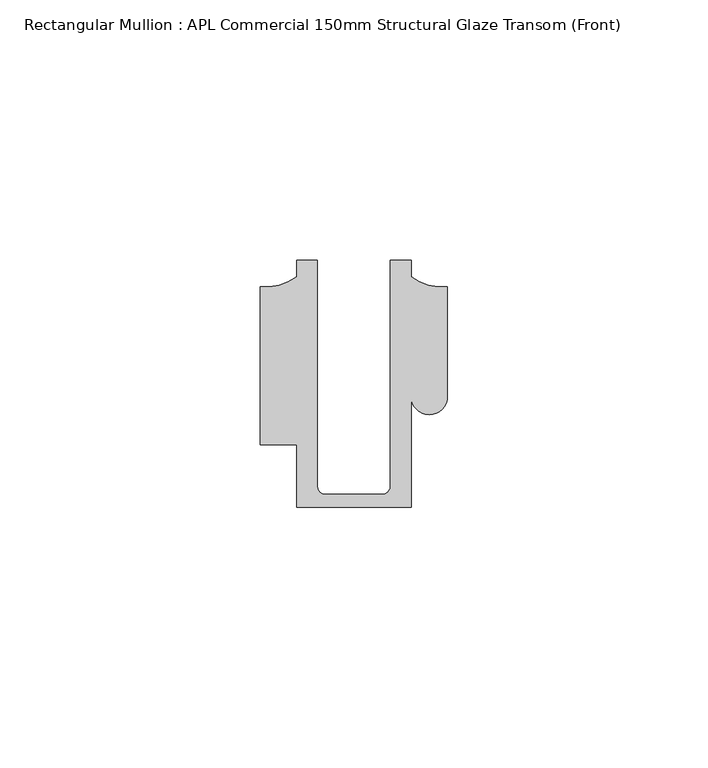
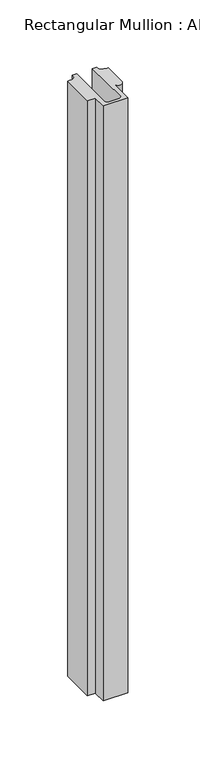
"""IFC4 building model written with IfcOpenShell, lengths in millimetres: member geometry, Rectangular Mullion : APL Commercial 150mm Structural Glaze Transom (Front)."""

from ifc_helpers import new_model, si_unit, frame, origin, place, context, project, spatial, polyline, circle_curve, source, transform, mapped, element, save
from ifc_brep_helpers import plane_surface, cylinder_surface, revolved_surface, advanced_brep


def rectangular_mullion_apl_commercial_150mm_structural_glaze_a23ece81(model_context):
    return source(origin(), model_context, "Body", "AdvancedBrep", [
        advanced_brep(
        [(-11.0000151, -27.0, 0.0), (11.001071, -27.0, 0.0), (11.001071, -5.5848769, 0.0), (17.9999091, -5.6750512, 0.0), (17.9999542, 15.3797475, 0.0), (11.0000151, 17.3125212, 0.0), (11.0000151, 20.5, 0.0), (6.9999849, 20.5, 0.0), (6.9999849, -22.9973451, 0.0), (5.4999872, -24.5, 0.0), (-5.4999873, -24.5, 0.0), (-6.9999853, -22.9976091, 0.0), (-6.9999853, 20.5, 0.0), (-10.9999994, 20.5, 0.0), (-10.9999994, 17.3125325, 0.0), (-17.9999542, 15.3797475, 0.0), (-17.9999542, -15.0006281, 0.0), (-11.0000151, -15.0006281, 0.0), (-11.0000151, -27.0, -562.8786478), (-11.0000151, -15.0006281, -562.8786478), (-17.9999542, -15.0006281, -562.8786478), (-17.9999542, 15.3797475, -562.8786478), (-10.9999994, 17.3125325, -562.8786478), (-10.9999994, 20.5, -562.8786478), (-6.9999853, 20.5, -562.8786478), (-6.9999853, -22.9976091, -562.8786478), (-5.4999873, -24.5, -562.8786478), (5.4999872, -24.5, -562.8786478), (6.9999849, -22.9973451, -562.8786478), (6.9999849, 20.5, -562.8786478), (11.0000151, 20.5, -562.8786478), (11.0000151, 17.3125212, -562.8786478), (17.9999542, 15.3797475, -562.8786478), (17.9999542, -5.684606, -562.8786478), (11.001071, -5.5848769, -562.8786478), (11.001071, -27.0, -562.8786478)],
        [
            (0, 1),
            (1, 2),
            (2, 3, circle_curve(frame((14.4999091, -5.6750512, 0.0), z_axis=(0.0, 0.0, 1.0), x_axis=(-0.9999826028573957, 0.005898642432633649, 0.0)), 3.5)),
            (3, 4),
            (4, 5, circle_curve(frame((17.109817, 25.7981812, 0.0), z_axis=(0.0, 0.0, -1.0), x_axis=(0.0, -1.0, 0.0)), 10.4563907)),
            (5, 6),
            (6, 7),
            (7, 8),
            (8, 9, circle_curve(frame((5.4999872, -23.0, 0.0), z_axis=(0.0, 0.0, -1.0), x_axis=(0.9999999999999986, 5.463622857820516e-08, 0.0)), 1.5)),
            (9, 10),
            (10, 11, circle_curve(frame((-5.4999873, -23.0, 0.0), z_axis=(0.0, 0.0, -1.0), x_axis=(2.7320010112268853e-08, -0.9999999999999997, 0.0)), 1.5)),
            (11, 12),
            (12, 13),
            (13, 14),
            (14, 15, circle_curve(frame((-17.109817, 25.7981812, 0.0), z_axis=(0.0, 0.0, -1.0), x_axis=(0.0, -1.0, 0.0)), 10.4563907)),
            (15, 16),
            (16, 17),
            (17, 0),
            (18, 19),
            (19, 20),
            (20, 21),
            (21, 22, circle_curve(frame((-17.109817, 25.7981812, -562.8786478), z_axis=(0.0, 0.0, 1.0), x_axis=(0.0, -1.0, 0.0)), 10.4563907)),
            (22, 23),
            (23, 24),
            (24, 25),
            (25, 26, circle_curve(frame((-5.4999873, -23.0, -562.8786478), z_axis=(0.0, 0.0, 1.0), x_axis=(2.7320010112268853e-08, -0.9999999999999997, 0.0)), 1.5)),
            (26, 27),
            (27, 28, circle_curve(frame((5.4999872, -23.0, -562.8786478), z_axis=(0.0, 0.0, 1.0), x_axis=(0.9999999999999986, 5.463622857820516e-08, 0.0)), 1.5)),
            (28, 29),
            (29, 30),
            (30, 31),
            (31, 32, circle_curve(frame((17.109817, 25.7981812, -562.8786478), z_axis=(0.0, 0.0, 1.0), x_axis=(0.0, -1.0, 0.0)), 10.4563907)),
            (32, 33),
            (33, 34, circle_curve(frame((14.4999091, -5.6750512, -562.8786478), z_axis=(0.0, 0.0, -1.0), x_axis=(-0.9999826028573957, 0.005898642432633649, 0.0)), 3.5)),
            (34, 35),
            (35, 18),
            (0, 18),
            (35, 1),
            (34, 2),
            (33, 3),
            (32, 4),
            (31, 5),
            (30, 6),
            (29, 7),
            (28, 8),
            (27, 9),
            (26, 10),
            (25, 11),
            (24, 12),
            (23, 13),
            (22, 14),
            (21, 15),
            (20, 16),
            (19, 17),
        ],
        [
            plane_surface(frame((0.0, -29.1551636, 0.0), z_axis=(0.0, 0.0, 1.0), x_axis=(-1.0, 0.0, 0.0))),
            plane_surface(frame((0.0, -29.1551636, -562.8786478), z_axis=(0.0, 0.0, -1.0), x_axis=(-1.0, 0.0, 0.0))),
            plane_surface(frame((-11.0000151, -27.0, 0.0), z_axis=(0.0, -1.0, 0.0), x_axis=(0.0, 0.0, -1.0))),
            plane_surface(frame((11.001071, -27.0, 0.0), z_axis=(1.0, 0.0, 0.0), x_axis=(0.0, 0.0, -1.0))),
            cylinder_surface(frame((14.4999091, -5.6750512, 0.0), z_axis=(0.0, 0.0, 1.0), x_axis=(-0.9999826028573957, 0.005898642432633649, 0.0)), 3.5),
            plane_surface(frame((17.9999542, -5.684606, 0.0), z_axis=(1.0, 0.0, 0.0), x_axis=(0.0, 0.0, -1.0))),
            revolved_surface(polyline([(17.109817, 15.341790499999998, -562.8786478), (17.109817, 15.341790499999998, 0.0)]), (17.109817, 25.7981812, 0.0), (0.0, 0.0, -1.0)),
            plane_surface(frame((11.0000151, 17.3125212, 0.0), z_axis=(1.0, 0.0, 0.0), x_axis=(0.0, 0.0, -1.0))),
            plane_surface(frame((11.0000151, 20.5, 0.0), z_axis=(0.0, 1.0, 0.0), x_axis=(0.0, 0.0, -1.0))),
            plane_surface(frame((6.9999849, 20.5, 0.0), z_axis=(-1.0, 0.0, 0.0), x_axis=(0.0, 0.0, -1.0))),
            revolved_surface(polyline([(6.999987199999998, -22.999999918045656, -562.8786478), (6.999987199999998, -22.999999918045656, 0.0)]), (5.4999872, -23.0, 0.0), (0.0, 0.0, -1.0)),
            plane_surface(frame((5.4999872, -24.5, 0.0), z_axis=(0.0, 1.0, 0.0), x_axis=(0.0, 0.0, -1.0))),
            revolved_surface(polyline([(-5.499987259019985, -24.5, -562.8786478), (-5.499987259019985, -24.5, 0.0)]), (-5.4999873, -23.0, 0.0), (0.0, 0.0, -1.0)),
            plane_surface(frame((-6.9999853, -22.9976091, 0.0), z_axis=(1.0, 0.0, 0.0), x_axis=(0.0, 0.0, -1.0))),
            plane_surface(frame((-6.9999853, 20.5, 0.0), z_axis=(0.0, 1.0, 0.0), x_axis=(0.0, 0.0, -1.0))),
            plane_surface(frame((-10.9999994, 20.5, 0.0), z_axis=(-1.0, 0.0, 0.0), x_axis=(0.0, 0.0, -1.0))),
            revolved_surface(polyline([(-17.109817, 15.341790499999998, -562.8786478), (-17.109817, 15.341790499999998, 0.0)]), (-17.109817, 25.7981812, 0.0), (0.0, 0.0, -1.0)),
            plane_surface(frame((-17.9999542, 15.3797475, 0.0), z_axis=(-1.0, 0.0, 0.0), x_axis=(0.0, 0.0, -1.0))),
            plane_surface(frame((-17.9999542, -15.0006281, 0.0), z_axis=(0.0, -1.0, 0.0), x_axis=(0.0, 0.0, -1.0))),
            plane_surface(frame((-11.0000151, -15.0006281, 0.0), z_axis=(-1.0, 0.0, 0.0), x_axis=(0.0, 0.0, -1.0))),
        ],
        [
            (0, [[1, 2, 3, 4, 5, 6, 7, 8, 9, 10, 11, 12, 13, 14, 15, 16, 17, 18]]),
            (1, [[19, 20, 21, 22, 23, 24, 25, 26, 27, 28, 29, 30, 31, 32, 33, 34, 35, 36]]),
            (2, [[-1, 37, -36, 38]]),
            (3, [[-2, -38, -35, 39]]),
            (4, [[-3, -39, -34, 40]]),
            (5, [[-4, -40, -33, 41]]),
            (6, [[-5, -41, -32, 42]]),
            (7, [[-6, -42, -31, 43]]),
            (8, [[-7, -43, -30, 44]]),
            (9, [[-8, -44, -29, 45]]),
            (10, [[-9, -45, -28, 46]]),
            (11, [[-10, -46, -27, 47]]),
            (12, [[-11, -47, -26, 48]]),
            (13, [[-12, -48, -25, 49]]),
            (14, [[-13, -49, -24, 50]]),
            (15, [[-14, -50, -23, 51]]),
            (16, [[-15, -51, -22, 52]]),
            (17, [[-16, -52, -21, 53]]),
            (18, [[-17, -53, -20, 54]]),
            (19, [[-18, -54, -19, -37]]),
        ],
    ),
    ])


if __name__ == "__main__":
    model = new_model("IFC4")
    model_context = context("Model", 3, world=origin())
    ifc_project = project(units=[si_unit("LENGTHUNIT", "METRE", prefix="MILLI")], contexts=[model_context])
    site = spatial("IfcSite", under=ifc_project)
    building = spatial("IfcBuilding", under=site)
    placement = place(None, origin())
    rectangular_mullion_apl_commercial_150mm_structural_glaze_shape = rectangular_mullion_apl_commercial_150mm_structural_glaze_a23ece81(model_context)
    element("IfcMember", 1, ObjectType="Rectangular Mullion : APL Commercial 150mm Structural Glaze Transom (Front)", at=placement, inside=building, context=model_context, shape_type="MappedRepresentation", body=[
        mapped(rectangular_mullion_apl_commercial_150mm_structural_glaze_shape, transform((0.0, 0.0, 0.0), x_axis=(1.0, 0.0, 0.0), y_axis=(0.0, 1.0, 0.0), z_axis=(0.0, 0.0, 1.0))),
    ])
    save(model, "model.ifc")
